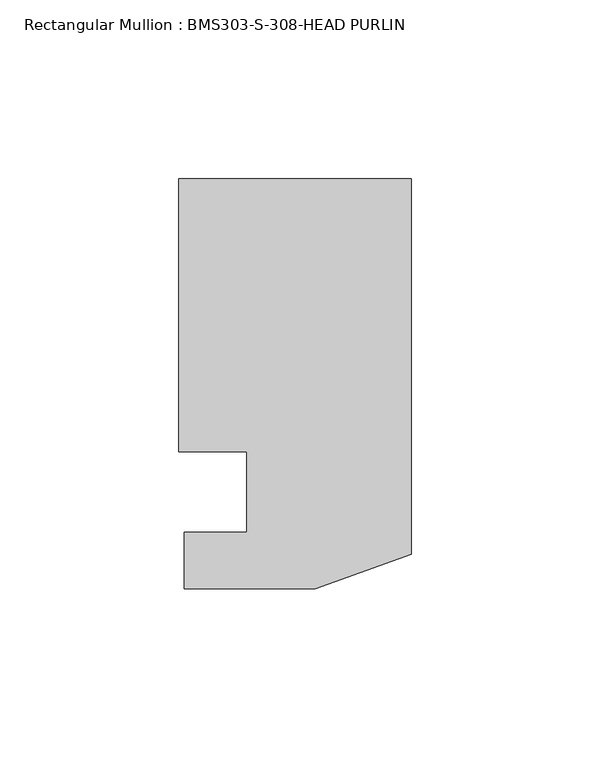
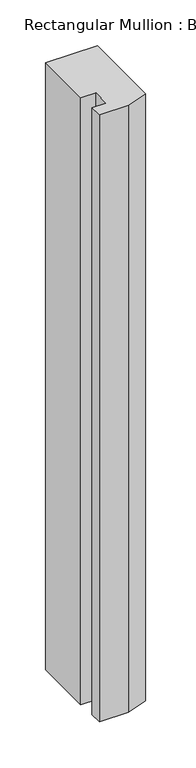
"""IFC4 building model written with IfcOpenShell, lengths in millimetres: member geometry, Rectangular Mullion : BMS303-S-308-HEAD PURLIN."""

from ifc_helpers import new_model, si_unit, frame, origin, place, context, project, spatial, polyline, outline, extrude, source, transform, mapped, element, save


def rectangular_mullion_bms303_s_308_head_purlin_37875a1b(model_context):
    return source(origin(), model_context, "Body", "SweptSolid", [
        extrude(outline(polyline([(-46.0375, 62.309375), (-65.0748, 62.309375), (-65.0748, 138.839575), (0.0, 138.839575), (0.0, 33.734375), (-26.8478, 23.980775), (-63.5, 23.980775), (-63.5, 39.830375), (-46.0375, 39.830375), (-46.0375, 62.309375)])), frame((0.0, 0.0, -808.036738), z_axis=(0.0, 0.0, 1.0), x_axis=(1.0, 0.0, 0.0)), (0.0, 0.0, 1.0), 808.036738),
    ])


if __name__ == "__main__":
    model = new_model("IFC4")
    model_context = context("Model", 3, world=origin())
    ifc_project = project(units=[si_unit("LENGTHUNIT", "METRE", prefix="MILLI")], contexts=[model_context])
    site = spatial("IfcSite", under=ifc_project)
    building = spatial("IfcBuilding", under=site)
    placement = place(None, origin())
    rectangular_mullion_bms303_s_308_head_purlin_shape = rectangular_mullion_bms303_s_308_head_purlin_37875a1b(model_context)
    element("IfcMember", 1, ObjectType="Rectangular Mullion : BMS303-S-308-HEAD PURLIN", at=placement, inside=building, context=model_context, shape_type="MappedRepresentation", body=[
        mapped(rectangular_mullion_bms303_s_308_head_purlin_shape, transform((0.0, 0.0, 0.0), x_axis=(1.0, 0.0, 0.0), y_axis=(0.0, 1.0, 0.0), z_axis=(0.0, 0.0, 1.0))),
    ])
    save(model, "model.ifc")
